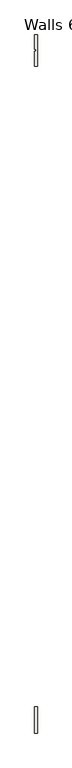
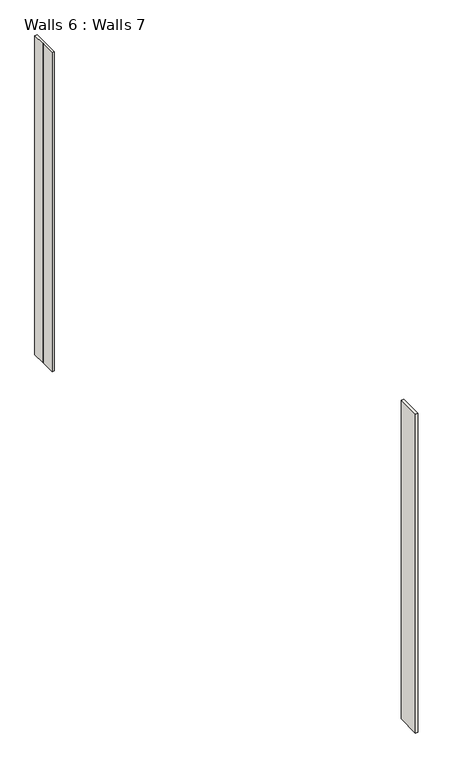
"""IFC4 building model written with IfcOpenShell, lengths in millimetres: wall geometry, Walls 6 : Walls 7."""

from ifc_helpers import new_model, si_unit, frame, origin, place, context, project, spatial, polyline, outline, extrude, source, transform, mapped, element, save


def walls_6_walls_7_35c6ce77(model_context):
    return source(origin(), model_context, "Body", "SweptSolid", [
        extrude(outline(polyline([(33287.0624503, -19200.5916386), (33287.0624503, -19392.5916386), (33271.0624503, -19392.5916386), (33271.0624503, -19299.4620211), (33279.0624503, -19299.4620211), (33279.0624503, -19287.4620211), (33271.0624503, -19287.4620211), (33271.0624503, -19200.5916386), (33287.0624503, -19200.5916386)])), frame((0.0, 0.0, 4550.0), z_axis=(0.0, 0.0, 1.0), x_axis=(1.0, 0.0, 0.0)), (0.0, 0.0, 1.0), 2186.0),
        extrude(outline(polyline([(33271.0624503, -23479.6020019), (33271.0624503, -23319.5916391), (33287.0624503, -23319.5916391), (33287.0624503, -23479.6020019), (33271.0624503, -23479.6020019)])), frame((0.0, 0.0, 4550.0), z_axis=(0.0, 0.0, 1.0), x_axis=(1.0, 0.0, 0.0)), (0.0, 0.0, 1.0), 2186.0),
    ])


if __name__ == "__main__":
    model = new_model("IFC4")
    model_context = context("Model", 3, world=origin())
    ifc_project = project(units=[si_unit("LENGTHUNIT", "METRE", prefix="MILLI")], contexts=[model_context])
    site = spatial("IfcSite", under=ifc_project)
    building = spatial("IfcBuilding", under=site)
    placement = place(None, origin())
    walls_6_walls_7_shape = walls_6_walls_7_35c6ce77(model_context)
    element("IfcWall", 1, ObjectType="Walls 6 : Walls 7", at=placement, inside=building, context=model_context, shape_type="MappedRepresentation", body=[
        mapped(walls_6_walls_7_shape, transform((0.0, 0.0, 0.0), x_axis=(1.0, 0.0, 0.0), y_axis=(0.0, 1.0, 0.0), z_axis=(0.0, 0.0, 1.0))),
    ])
    save(model, "model.ifc")
